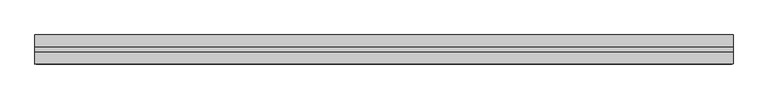
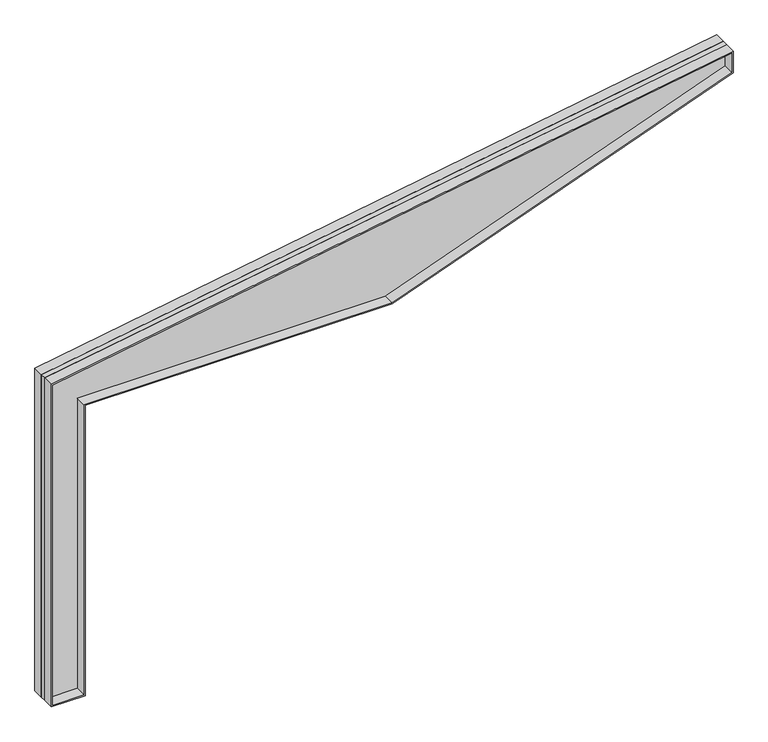
"""IFC4 building model written with IfcOpenShell, lengths in millimetres: beam geometry."""

import ifcopenshell
import ifcopenshell.guid

model = None  # the IFC model being written
_history = None  # IfcOwnerHistory: only IFC2X3 demands one
_inside = {}  # id of a spatial element -> (the spatial element, [elements in it])
_under = {}  # id of a project, library or spatial element -> (it, [spatial elements below it])
_declared = {}  # id of a project -> (the project, [libraries it declares])
_typed = {}  # id of a type object -> (the type object, [elements of that type])
_made_of = {}  # id of a material, layer set ... -> (it, [elements and type objects made of it])


def new_model(schema):
    """Start an empty IFC model of exactly this schema.

    Asked for "IFC4X3", IfcOpenShell would pick the latest addendum, in which some entities
    have other attributes; the version numbers below select the first issue.
    IFC2X3 requires an IfcOwnerHistory on every rooted entity: one is made here for all.
    """
    global model, _history
    if schema == "IFC4X3":
        model = ifcopenshell.file(schema_version=(4, 3, 0, 0))
    else:
        model = ifcopenshell.file(schema=schema)
    _inside.clear()
    _under.clear()
    _declared.clear()
    _typed.clear()
    _made_of.clear()
    _history = None
    if model.schema == "IFC2X3":
        org = make("IfcOrganization", Name="unknown")
        user = make(
            "IfcPersonAndOrganization",
            ThePerson=make("IfcPerson", FamilyName="unknown"),
            TheOrganization=org,
        )
        app = make(
            "IfcApplication",
            ApplicationDeveloper=org,
            Version="unknown",
            ApplicationFullName="unknown",
            ApplicationIdentifier="unknown",
        )
        _history = make(
            "IfcOwnerHistory",
            OwningUser=user,
            OwningApplication=app,
            ChangeAction="ADDED",
            CreationDate=0,
        )
    return model


def make(cls, **values):
    """One entity of the class cls with the attributes given. An attribute that is None is left unset."""
    return model.create_entity(
        cls, **{name: value for name, value in values.items() if value is not None}
    )


def rooted(cls, **values):
    """An entity with a GlobalId (a new one), such as an element, a storey or a relation."""
    return make(cls, GlobalId=ifcopenshell.guid.new(), OwnerHistory=_history, **values)


def si_unit(unit_type, name, prefix=None):
    """IfcSIUnit, for example si_unit("LENGTHUNIT", "METRE", prefix="MILLI")."""
    return make("IfcSIUnit", UnitType=unit_type, Prefix=prefix, Name=name)


def assignment(units):
    """IfcUnitAssignment: the units of a project."""
    return None if units is None else make("IfcUnitAssignment", Units=units)


def point(xyz):
    """IfcCartesianPoint."""
    return None if xyz is None else make("IfcCartesianPoint", Coordinates=xyz)


def direction(xyz):
    """IfcDirection."""
    return None if xyz is None else make("IfcDirection", DirectionRatios=xyz)


def frame(location, z_axis=None, x_axis=None):
    """IfcAxis2Placement3D, a coordinate frame: its origin and axes. An axis left out is left unset."""
    return make(
        "IfcAxis2Placement3D",
        Location=point(location),
        Axis=direction(z_axis),
        RefDirection=direction(x_axis),
    )


def origin():
    """The frame at (0, 0, 0) with its axes left unset."""
    return frame((0.0, 0.0, 0.0))


def place(relative_to, where):
    """IfcLocalPlacement: puts the frame where relative to a parent placement (None: the world)."""
    return make(
        "IfcLocalPlacement", PlacementRelTo=relative_to, RelativePlacement=where
    )


def context(
    kind, dimensions, precision=None, world=None, true_north=None, identifier=None
):
    """IfcGeometricRepresentationContext, for example the 3D "Model" context."""
    return make(
        "IfcGeometricRepresentationContext",
        ContextIdentifier=identifier,
        ContextType=kind,
        CoordinateSpaceDimension=dimensions,
        Precision=precision,
        WorldCoordinateSystem=world,
        TrueNorth=true_north,
    )


def project(units=None, contexts=None):
    """IfcProject with its units and contexts."""
    return rooted(
        "IfcProject",
        Name="project",
        RepresentationContexts=contexts,
        UnitsInContext=assignment(units),
    )


def spatial(cls, under=None, at=None, **own):
    """A site, building, storey or space (cls), placed at a placement, below another one or the project."""
    s = rooted(cls, ObjectPlacement=at, **own)
    if under is not None:
        _under.setdefault(under.id(), (under, []))[1].append(s)
    return s


def polyline(points):
    """IfcPolyline through the points."""
    return make("IfcPolyline", Points=[point(p) for p in points])


def outline(outer, holes=None, kind="AREA"):
    """IfcArbitraryClosedProfileDef: a profile drawn as a closed curve; with holes, ...WithVoids."""
    if holes is None:
        return make("IfcArbitraryClosedProfileDef", ProfileType=kind, OuterCurve=outer)
    return make(
        "IfcArbitraryProfileDefWithVoids",
        ProfileType=kind,
        OuterCurve=outer,
        InnerCurves=holes,
    )


def extrude(swept, where, along, depth):
    """IfcExtrudedAreaSolid: the profile swept, set in the frame where, extruded along a direction by depth."""
    return make(
        "IfcExtrudedAreaSolid",
        SweptArea=swept,
        Position=where,
        ExtrudedDirection=direction(along),
        Depth=depth,
    )


def shape(context_of_items, identifier, shape_type, items):
    """IfcShapeRepresentation: the items that make up one representation, for example the "Body"."""
    return make(
        "IfcShapeRepresentation",
        ContextOfItems=context_of_items,
        RepresentationIdentifier=identifier,
        RepresentationType=shape_type,
        Items=items,
    )


def source(mapping_origin, context_of_items, identifier, shape_type, items):
    """IfcRepresentationMap: a shape defined once, which mapped items show again and again."""
    return make(
        "IfcRepresentationMap",
        MappingOrigin=mapping_origin,
        MappedRepresentation=shape(context_of_items, identifier, shape_type, items),
    )


def transform(
    local_origin,
    x_axis=None,
    y_axis=None,
    z_axis=None,
    scale=None,
    scale2=None,
    scale3=None,
    uniform=True,
):
    """IfcCartesianTransformationOperator3D, or its non-uniform kind. x_axis, y_axis, z_axis: its Axis1, 2, 3."""
    if uniform:
        return make(
            "IfcCartesianTransformationOperator3D",
            Axis1=direction(x_axis),
            Axis2=direction(y_axis),
            LocalOrigin=point(local_origin),
            Scale=scale,
            Axis3=direction(z_axis),
        )
    return make(
        "IfcCartesianTransformationOperator3DnonUniform",
        Axis1=direction(x_axis),
        Axis2=direction(y_axis),
        LocalOrigin=point(local_origin),
        Scale=scale,
        Axis3=direction(z_axis),
        Scale2=scale2,
        Scale3=scale3,
    )


def mapped(mapping_source, mapping_target):
    """IfcMappedItem: shows the shape of a source again, moved by a transform."""
    return make(
        "IfcMappedItem", MappingSource=mapping_source, MappingTarget=mapping_target
    )


def made_of(thing, what):
    """Note that an element or type object is made of a material, layer set ...; save() writes the relation."""
    if what is not None:
        _made_of.setdefault(what.id(), (what, []))[1].append(thing)
    return thing


def element(
    cls,
    number,
    at=None,
    inside=None,
    cuts=None,
    type_object=None,
    material=None,
    context=None,
    identifier="Body",
    shape_type=None,
    held_by="IfcProductDefinitionShape",
    body=None,
    shapes=None,
    **own,
):
    """One element of the class cls, such as IfcWall. Its Tag is "e" and its number.

    at: its placement. inside: the storey or other place that contains it. cuts: it is an
    opening in that element (IfcRelVoidsElement). A single representation is given by context,
    identifier, shape_type and body (its items); several are given by shapes. held_by: the class
    of the entity that holds the representations. save() writes the other relations.
    """
    e = rooted(cls, Tag="e%d" % number, ObjectPlacement=at, **own)
    if body is not None:
        shapes = [shape(context, identifier, shape_type, body)]
    if shapes is not None:
        e.Representation = make(held_by, Representations=shapes)
    if inside is not None:
        _inside.setdefault(inside.id(), (inside, []))[1].append(e)
    if cuts is not None:
        rooted(
            "IfcRelVoidsElement", RelatingBuildingElement=cuts, RelatedOpeningElement=e
        )
    if type_object is not None:
        _typed.setdefault(type_object.id(), (type_object, []))[1].append(e)
    return made_of(e, material)


def aggregate(whole, parts):
    """IfcRelAggregates: a whole, such as a stair, and the parts it consists of."""
    return rooted("IfcRelAggregates", RelatingObject=whole, RelatedObjects=parts)


def save(model, path):
    """Write the relations noted so far, then the file.

    IfcRelAggregates (storeys below a building ...), IfcRelContainedInSpatialStructure (elements
    in a storey), IfcRelDefinesByType, IfcRelAssociatesMaterial and IfcRelDeclares: one each for
    every whole, place, type object, material and project.
    """
    for whole, parts in _under.values():
        aggregate(whole, parts)
    for where, things in _inside.values():
        rooted(
            "IfcRelContainedInSpatialStructure",
            RelatedElements=things,
            RelatingStructure=where,
        )
    for kind, things in _typed.values():
        rooted("IfcRelDefinesByType", RelatedObjects=things, RelatingType=kind)
    for what, things in _made_of.values():
        rooted("IfcRelAssociatesMaterial", RelatedObjects=things, RelatingMaterial=what)
    for by, libraries in _declared.values():
        rooted("IfcRelDeclares", RelatingContext=by, RelatedDefinitions=libraries)
    model.write(path)


def beam_65b4463c(model_context):
    return source(origin(), model_context, "Body", "SweptSolid", [
        extrude(outline(polyline([(0.0, 0.0), (0.0, 304.8), (2743.2, 304.8), (2743.2, 3048.0), (3860.8, 6096.0), (4064.0, 6096.0), (3048.0, 0.0), (0.0, 0.0)]), holes=[polyline([(2755.9, 3045.7450681), (2755.9, 292.1), (12.7, 292.1), (12.7, 12.7), (3037.241486, 12.7), (4049.0081526, 6083.3), (3869.6701417, 6083.3), (2755.9, 3045.7450681)])]), frame((0.0, 25.4, 0.0), z_axis=(0.0, 1.0, 0.0), x_axis=(0.0, 0.0, 1.0)), (0.0, 0.0, 1.0), 101.6),
        extrude(outline(polyline([(4064.0, 6096.0), (3048.0, 0.0), (0.0, 0.0), (0.0, 304.8), (2743.2, 304.8), (2743.2, 3048.0), (3860.8, 6096.0), (4064.0, 6096.0)]), holes=[polyline([(12.7, 292.1), (12.7, 12.7), (3037.241486, 12.7), (4049.0081526, 6083.3), (3869.6701417, 6083.3), (2755.9, 3045.7450681), (2755.9, 292.1), (12.7, 292.1)])]), frame((0.0, -127.0, 0.0), z_axis=(0.0, 1.0, 0.0), x_axis=(0.0, 0.0, 1.0)), (0.0, 0.0, 1.0), 101.6),
        extrude(outline(polyline([(0.0, 304.8), (2743.2, 304.8), (2743.2, 3048.0), (3860.8, 6096.0), (4064.0, 6096.0), (3048.0, 0.0), (0.0, 0.0), (0.0, 304.8)])), frame((0.0, -25.4, 0.0), z_axis=(0.0, 1.0, 0.0), x_axis=(0.0, 0.0, 1.0)), (0.0, 0.0, 1.0), 50.8),
    ])


if __name__ == "__main__":
    model = new_model("IFC4")
    model_context = context("Model", 3, world=origin())
    ifc_project = project(units=[si_unit("LENGTHUNIT", "METRE", prefix="MILLI")], contexts=[model_context])
    site = spatial("IfcSite", under=ifc_project)
    building = spatial("IfcBuilding", under=site)
    placement = place(None, origin())
    beam_shape = beam_65b4463c(model_context)
    element("IfcBeam", 1, at=placement, inside=building, context=model_context, shape_type="MappedRepresentation", body=[
        mapped(beam_shape, transform((0.0, 0.0, 0.0), x_axis=(1.0, 0.0, 0.0), y_axis=(0.0, 1.0, 0.0), z_axis=(0.0, 0.0, 1.0))),
    ])
    save(model, "model.ifc")
